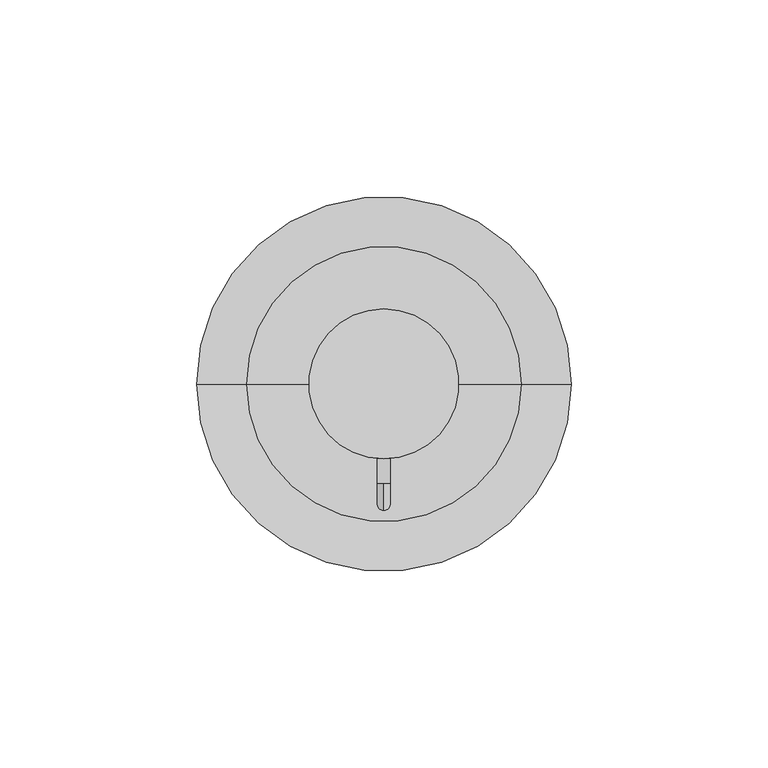
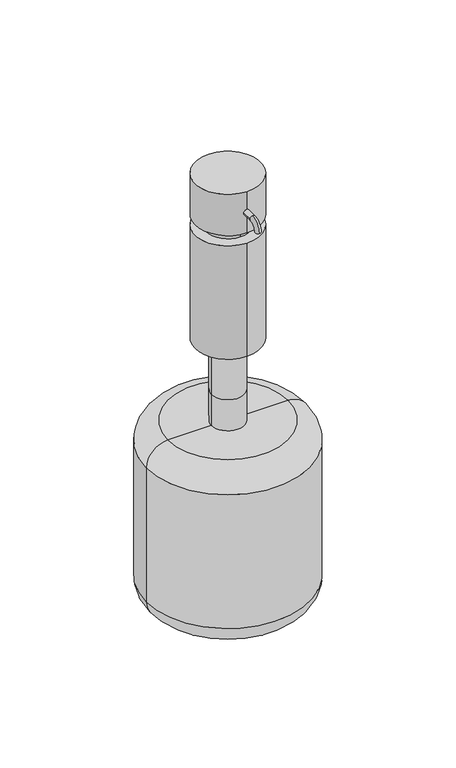
"""IFC4 building model written with IfcOpenShell, lengths in millimetres: proxy geometry."""

from ifc_helpers import new_model, si_unit, point, frame, frame_2d, origin, origin_with_axes, place, context, project, spatial, circle_curve, ellipse_curve, trimmed, segment, composite_curve, outline, extrude, source, transform, mapped, element, save
from ifc_brep_helpers import plane_surface, cylinder_surface, revolved_surface, advanced_brep


def specialty_equipment_547e3b52(model_context):
    return source(origin(), model_context, "Body", "SolidModel", [
        advanced_brep(
        [(13.9267995, 0.0, -50.8), (-5.1232005, 0.0, -50.8), (-5.1232005, 0.0, -31.75), (13.9267995, 0.0, -31.75), (39.3267995, 0.0, -50.8), (-30.5232005, 0.0, -50.8), (52.0267995, 0.0, -63.5), (-43.2232005, 0.0, -63.5), (52.0267995, 0.0, -146.05), (-43.2232005, 0.0, -146.05), (39.3267995, 0.0, -158.75), (-30.5232005, 0.0, -158.75), (4.4017995, 0.0, -158.75), (13.9267995, 0.0, 0.0), (-5.1232005, 0.0, 0.0), (4.4017995, 0.0, 0.0)],
        [
            (0, 1, circle_curve(frame((4.4017995, 0.0, -50.8), z_axis=(0.0, 0.0, 1.0), x_axis=(-1.0, 0.0, 0.0)), 9.525)),
            (1, 2),
            (2, 3, circle_curve(frame((4.4017995, 0.0, -31.75), z_axis=(0.0, 0.0, -1.0), x_axis=(-1.0, 0.0, 0.0)), 9.525)),
            (3, 0),
            (1, 0, circle_curve(frame((4.4017995, 0.0, -50.8), z_axis=(0.0, 0.0, 1.0), x_axis=(-1.0, 0.0, 0.0)), 9.525)),
            (3, 2, circle_curve(frame((4.4017995, 0.0, -31.75), z_axis=(0.0, 0.0, -1.0), x_axis=(-1.0, 0.0, 0.0)), 9.525)),
            (4, 5, circle_curve(frame((4.4017995, 0.0, -50.8), z_axis=(0.0, 0.0, 1.0), x_axis=(-1.0, 0.0, 0.0)), 34.925)),
            (5, 1),
            (0, 4),
            (5, 4, circle_curve(frame((4.4017995, 0.0, -50.8), z_axis=(0.0, 0.0, 1.0), x_axis=(-1.0, 0.0, 0.0)), 34.925)),
            (6, 7, circle_curve(frame((4.4017995, 0.0, -63.5), z_axis=(0.0, 0.0, 1.0), x_axis=(-1.0, 0.0, 0.0)), 47.625)),
            (7, 5, circle_curve(frame((-30.5232005, 0.0, -63.5), z_axis=(0.0, 1.0, 0.0), x_axis=(1.0, 0.0, 0.0)), 12.7)),
            (4, 6, circle_curve(frame((39.3267995, 0.0, -63.5), z_axis=(0.0, 1.0, 0.0), x_axis=(-1.0, 0.0, 0.0)), 12.7)),
            (7, 6, circle_curve(frame((4.4017995, 0.0, -63.5), z_axis=(0.0, 0.0, 1.0), x_axis=(-1.0, 0.0, 0.0)), 47.625)),
            (8, 9, circle_curve(frame((4.4017995, 0.0, -146.05), z_axis=(0.0, 0.0, 1.0), x_axis=(-1.0, 0.0, 0.0)), 47.625)),
            (9, 7),
            (6, 8),
            (9, 8, circle_curve(frame((4.4017995, 0.0, -146.05), z_axis=(0.0, 0.0, 1.0), x_axis=(-1.0, 0.0, 0.0)), 47.625)),
            (10, 11, circle_curve(frame((4.4017995, 0.0, -158.75), z_axis=(0.0, 0.0, 1.0), x_axis=(-1.0, 0.0, 0.0)), 34.925)),
            (11, 9, circle_curve(frame((-30.5232005, 0.0, -146.05), z_axis=(0.0, 1.0, 0.0), x_axis=(1.0, 0.0, 0.0)), 12.7)),
            (8, 10, circle_curve(frame((39.3267995, 0.0, -146.05), z_axis=(0.0, 1.0, 0.0), x_axis=(-1.0, 0.0, 0.0)), 12.7)),
            (11, 10, circle_curve(frame((4.4017995, 0.0, -158.75), z_axis=(0.0, 0.0, 1.0), x_axis=(-1.0, 0.0, 0.0)), 34.925)),
            (12, 11),
            (10, 12),
            (13, 14, circle_curve(frame((4.4017995, 0.0, 0.0), z_axis=(0.0, 0.0, 1.0), x_axis=(-1.0, 0.0, 0.0)), 9.525)),
            (14, 15),
            (15, 13),
            (14, 13, circle_curve(frame((4.4017995, 0.0, 0.0), z_axis=(0.0, 0.0, 1.0), x_axis=(-1.0, 0.0, 0.0)), 9.525)),
            (2, 14),
            (13, 3),
        ],
        [
            cylinder_surface(frame((4.4017995, 0.0, 0.0), z_axis=(0.0, 0.0, -1.0), x_axis=(-1.0, 0.0, 0.0)), 9.525),
            plane_surface(frame((4.4017995, 0.0, -50.8), z_axis=(0.0, 0.0, 1.0), x_axis=(-1.0, 0.0, 0.0))),
            revolved_surface(trimmed(ellipse_curve(frame((-30.5232005, 0.0, -63.5), z_axis=(0.0, -1.0, 0.0), x_axis=(1.0, 0.0, 0.0)), 12.7, 12.7), [point((-30.5232005, 0.0, -50.8))], [point((-43.2232005, 0.0, -63.5))], True, "CARTESIAN"), (4.4017995, 0.0, 0.0), (0.0, 0.0, -1.0)),
            cylinder_surface(frame((4.4017995, 0.0, 0.0), z_axis=(0.0, 0.0, -1.0), x_axis=(-1.0, 0.0, 0.0)), 47.625),
            revolved_surface(trimmed(ellipse_curve(frame((-30.5232005, 0.0, -146.05), z_axis=(0.0, -1.0, 0.0), x_axis=(1.0, 0.0, 0.0)), 12.7, 12.7), [point((-43.2232005, 0.0, -146.05))], [point((-30.5232005, 0.0, -158.75))], True, "CARTESIAN"), (4.4017995, 0.0, 0.0), (0.0, 0.0, -1.0)),
            plane_surface(frame((4.4017995, 0.0, -158.75), z_axis=(0.0, 0.0, -1.0), x_axis=(-1.0, 0.0, 0.0))),
            plane_surface(frame((4.4017995, 0.0, 0.0), z_axis=(0.0, 0.0, 1.0), x_axis=(-1.0, 0.0, 0.0))),
        ],
        [
            (0, [[1, 2, 3, 4]]),
            (0, [[5, -4, 6, -2]]),
            (1, [[7, 8, -1, 9]]),
            (1, [[10, -9, -5, -8]]),
            (2, [[11, 12, -7, 13]]),
            (2, [[14, -13, -10, -12]]),
            (3, [[15, 16, -11, 17]]),
            (3, [[18, -17, -14, -16]]),
            (4, [[19, 20, -15, 21]]),
            (4, [[22, -21, -18, -20]]),
            (5, [[23, -19, 24]]),
            (5, [[-24, -22, -23]]),
            (6, [[25, 26, 27]]),
            (6, [[28, -27, -26]]),
            (0, [[-3, 29, -25, 30]]),
            (0, [[-6, -30, -28, -29]]),
        ],
    ),
        advanced_brep(
        [(4.3596196, -25.4, 90.5365489), (4.3596196, -25.4, 87.27831), (4.3596196, -32.1674223, 83.7691266), (4.3596196, -28.9091834, 83.7691266)],
        [
            (0, 1, circle_curve(frame((4.3596196, -25.4, 88.9074295), z_axis=(0.0, 1.0, 0.0), x_axis=(0.0, 0.0, -1.0)), 1.6291195)),
            (1, 0, circle_curve(frame((4.3596196, -25.4, 88.9074295), z_axis=(0.0, 1.0, 0.0), x_axis=(0.0, 0.0, -1.0)), 1.6291195)),
            (2, 3, circle_curve(frame((4.3596196, -30.5383029, 83.7691266), z_axis=(0.0, 0.0, -1.0), x_axis=(0.0, 1.0, 0.0)), 1.6291195)),
            (3, 2, circle_curve(frame((4.3596196, -30.5383029, 83.7691266), z_axis=(0.0, 0.0, -1.0), x_axis=(0.0, 1.0, 0.0)), 1.6291195)),
            (3, 1, circle_curve(frame((4.3596196, -25.4, 83.7691266), z_axis=(-1.0, 0.0, 0.0), x_axis=(0.0, 0.0, 1.0)), 3.5091834)),
            (0, 2, circle_curve(frame((4.3596196, -25.4, 83.7691266), z_axis=(1.0, 0.0, 0.0), x_axis=(0.0, 0.0, 1.0)), 6.7674223)),
        ],
        [
            plane_surface(frame((-141.6903804, -25.4, 88.9074295), z_axis=(0.0, 1.0, 0.0), x_axis=(1.0, 0.0, 0.0))),
            plane_surface(frame((-141.6903804, -30.5383029, 83.7691266), z_axis=(0.0, 0.0, -1.0), x_axis=(1.0, 0.0, 0.0))),
            revolved_surface(trimmed(ellipse_curve(frame((4.3596196, -25.4, 88.9074295), z_axis=(0.0, 1.0, 0.0), x_axis=(0.0, 0.0, -1.0)), 1.6291195, 1.6291195), [point((4.3596196, -25.4, 90.5365489))], [point((4.3596196, -25.4, 87.27831))], True, "CARTESIAN"), (-141.6903804, -25.4, 83.7691266), (1.0, 0.0, 0.0)),
            revolved_surface(trimmed(ellipse_curve(frame((4.3596196, -25.4, 88.9074295), z_axis=(0.0, 1.0, 0.0), x_axis=(0.0, 0.0, -1.0)), 1.6291195, 1.6291195), [point((4.3596196, -25.4, 87.27831))], [point((4.3596196, -25.4, 90.5365489))], True, "CARTESIAN"), (-141.6903804, -25.4, 83.7691266), (1.0, 0.0, 0.0)),
        ],
        [
            (0, [[1, 2]]),
            (1, [[3, 4]]),
            (2, [[5, -1, 6, -4]]),
            (3, [[-6, -2, -5, -3]]),
        ],
    ),
        extrude(outline(composite_curve([segment(trimmed(circle_curve(frame_2d((88.9, 4.3521901)), 1.6460119), [point((88.9, 2.7061782))], [point((88.9, 5.998202))], False, "CARTESIAN"), True, "CONTINUOUS"), segment(trimmed(circle_curve(frame_2d((88.9, 4.3521901)), 1.6460119), [point((88.9, 5.998202))], [point((88.9, 2.7061782))], False, "CARTESIAN"), True, "CONTINUOUS")], self_intersect=False)), frame((0.0, -25.4, 0.0), z_axis=(0.0, 1.0, 0.0), x_axis=(0.0, 0.0, 1.0)), (0.0, 0.0, 1.0), 6.35),
        extrude(outline(composite_curve([segment(trimmed(circle_curve(frame_2d((4.4017995, 0.0)), 19.05), [point((4.4017995, 19.05))], [point((4.4017995, -19.05))], False, "CARTESIAN"), True, "CONTINUOUS"), segment(trimmed(circle_curve(frame_2d((4.4017995, 0.0)), 19.05), [point((4.4017995, -19.05))], [point((4.4017995, 19.05))], False, "CARTESIAN"), True, "CONTINUOUS")], self_intersect=False)), frame((0.0, 0.0, 76.2), z_axis=(0.0, 0.0, 1.0), x_axis=(1.0, 0.0, 0.0)), (0.0, 0.0, 1.0), 25.4),
        extrude(outline(composite_curve([segment(trimmed(circle_curve(frame_2d((4.4017995, 0.0)), 12.7), [point((4.4017995, 12.7))], [point((4.4017995, -12.7))], False, "CARTESIAN"), True, "CONTINUOUS"), segment(trimmed(circle_curve(frame_2d((4.4017995, 0.0)), 12.7), [point((4.4017995, -12.7))], [point((4.4017995, 12.7))], False, "CARTESIAN"), True, "CONTINUOUS")], self_intersect=False)), frame((0.0, 0.0, 69.85), z_axis=(0.0, 0.0, 1.0), x_axis=(1.0, 0.0, 0.0)), (0.0, 0.0, 1.0), 6.35),
        extrude(outline(composite_curve([segment(trimmed(circle_curve(frame_2d((4.4017995, 0.0)), 19.05), [point((4.4017995, 19.05))], [point((4.4017995, -19.05))], False, "CARTESIAN"), True, "CONTINUOUS"), segment(trimmed(circle_curve(frame_2d((4.4017995, 0.0)), 19.05), [point((4.4017995, -19.05))], [point((4.4017995, 19.05))], False, "CARTESIAN"), True, "CONTINUOUS")], self_intersect=False)), origin_with_axes(), (0.0, 0.0, 1.0), 69.85),
    ])


if __name__ == "__main__":
    model = new_model("IFC4")
    model_context = context("Model", 3, world=origin())
    ifc_project = project(units=[si_unit("LENGTHUNIT", "METRE", prefix="MILLI")], contexts=[model_context])
    site = spatial("IfcSite", under=ifc_project)
    building = spatial("IfcBuilding", under=site)
    placement = place(None, origin())
    specialty_equipment_shape = specialty_equipment_547e3b52(model_context)
    element("IfcBuildingElementProxy", 1, Name="Specialty Equipment", at=placement, inside=building, context=model_context, shape_type="MappedRepresentation", body=[
        mapped(specialty_equipment_shape, transform((0.0, 0.0, 0.0), x_axis=(1.0, 0.0, 0.0), y_axis=(0.0, 1.0, 0.0), z_axis=(0.0, 0.0, 1.0))),
    ])
    save(model, "model.ifc")
